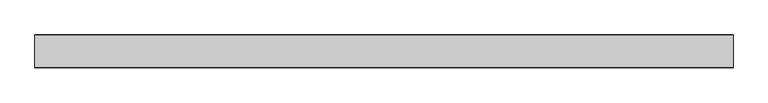
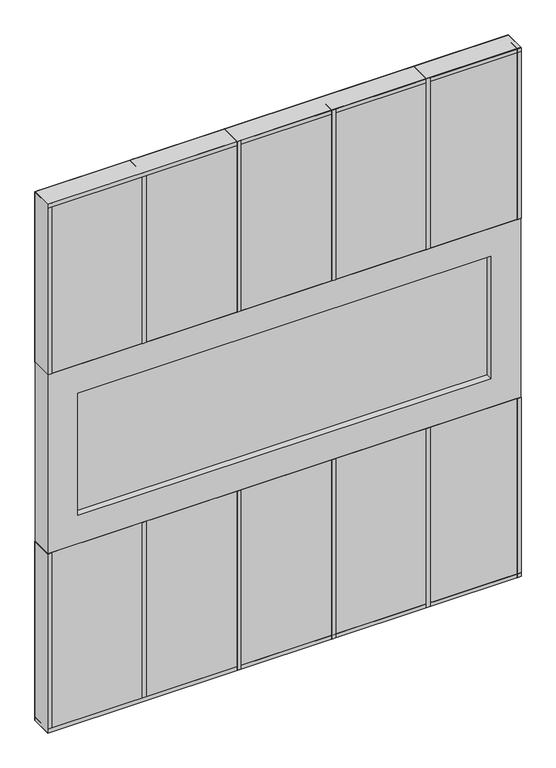
"""IFC4 building model written with IfcOpenShell, lengths in millimetres: plate geometry."""

from ifc_helpers import new_model, si_unit, frame, origin, origin_with_axes, place, context, project, spatial, polyline, outline, extrude, source, transform, mapped, element, save


def plate_e565fd6c(model_context):
    return source(origin(), model_context, "Body", "SweptSolid", [
        extrude(outline(polyline([(762.0, 34.925), (762.0, -34.925), (-762.0, -34.925), (-762.0, 34.925), (762.0, 34.925)])), origin_with_axes(), (0.0, 0.0, 1.0), 609.6),
        extrude(outline(polyline([(-665.226, 12.7), (665.226, 12.7), (665.226, -12.7), (-665.226, -12.7), (-665.226, 12.7)])), frame((0.0, 0.0, 706.374), z_axis=(0.0, 0.0, 1.0), x_axis=(1.0, 0.0, 0.0)), (0.0, 0.0, 1.0), 416.052),
        extrude(outline(polyline([(1219.2, -762.0), (609.6, -762.0), (609.6, 762.0), (1219.2, 762.0), (1219.2, -762.0)]), holes=[polyline([(1122.426, 665.226), (706.374, 665.226), (706.374, -665.226), (1122.426, -665.226), (1122.426, 665.226)])]), frame((0.0, -34.925, 0.0), z_axis=(0.0, 1.0, 0.0), x_axis=(0.0, 0.0, 1.0)), (0.0, 0.0, 1.0), 69.85),
        extrude(outline(polyline([(762.0, 34.925), (762.0, -34.925), (-762.0, -34.925), (-762.0, 34.925), (762.0, 34.925)])), frame((0.0, 0.0, 1219.2), z_axis=(0.0, 0.0, 1.0), x_axis=(1.0, 0.0, 0.0)), (0.0, 0.0, 1.0), 580.6),
        extrude(outline(polyline([(469.9, 35.71875), (469.9, -35.71875), (457.2, -35.71875), (457.2, 35.71875), (469.9, 35.71875)])), origin_with_axes(), (0.0, 0.0, 1.0), 609.6),
        extrude(outline(polyline([(165.1, 35.71875), (165.1, -35.71875), (152.4, -35.71875), (152.4, 35.71875), (165.1, 35.71875)])), origin_with_axes(), (0.0, 0.0, 1.0), 609.6),
        extrude(outline(polyline([(469.9, 35.71875), (469.9, -35.71875), (457.2, -35.71875), (457.2, 35.71875), (469.9, 35.71875)])), frame((0.0, 0.0, 1219.2), z_axis=(0.0, 0.0, 1.0), x_axis=(1.0, 0.0, 0.0)), (0.0, 0.0, 1.0), 580.6),
        extrude(outline(polyline([(165.1, 35.71875), (165.1, -35.71875), (152.4, -35.71875), (152.4, 35.71875), (165.1, 35.71875)])), frame((0.0, 0.0, 1219.2), z_axis=(0.0, 0.0, 1.0), x_axis=(1.0, 0.0, 0.0)), (0.0, 0.0, 1.0), 580.6),
        extrude(outline(polyline([(-139.7, 35.71875), (-139.7, -35.71875), (-152.4, -35.71875), (-152.4, 35.71875), (-139.7, 35.71875)])), origin_with_axes(), (0.0, 0.0, 1.0), 609.6),
        extrude(outline(polyline([(-139.7, 35.71875), (-139.7, -35.71875), (-152.4, -35.71875), (-152.4, 35.71875), (-139.7, 35.71875)])), frame((0.0, 0.0, 1219.2), z_axis=(0.0, 0.0, 1.0), x_axis=(1.0, 0.0, 0.0)), (0.0, 0.0, 1.0), 580.6),
        extrude(outline(polyline([(762.0, 35.71875), (762.0, -35.71875), (-762.0, -35.71875), (-762.0, 35.71875), (762.0, 35.71875)])), origin_with_axes(), (0.0, 0.0, 1.0), 12.7),
        extrude(outline(polyline([(-444.5, 35.71875), (-444.5, -35.71875), (-457.2, -35.71875), (-457.2, 35.71875), (-444.5, 35.71875)])), origin_with_axes(), (0.0, 0.0, 1.0), 609.6),
        extrude(outline(polyline([(749.3, 35.71875), (762.0, 35.71875), (762.0, -35.71875), (749.3, -35.71875), (749.3, 35.71875)])), origin_with_axes(), (0.0, 0.0, 1.0), 609.6),
        extrude(outline(polyline([(-749.3, 35.71875), (-749.3, -35.71875), (-762.0, -35.71875), (-762.0, 35.71875), (-749.3, 35.71875)])), origin_with_axes(), (0.0, 0.0, 1.0), 609.6),
        extrude(outline(polyline([(762.0, 35.71875), (762.0, -35.71875), (-762.0, -35.71875), (-762.0, 35.71875), (762.0, 35.71875)])), frame((0.0, 0.0, 1787.1), z_axis=(0.0, 0.0, 1.0), x_axis=(1.0, 0.0, 0.0)), (0.0, 0.0, 1.0), 12.7),
        extrude(outline(polyline([(-444.5, 35.71875), (-444.5, -35.71875), (-457.2, -35.71875), (-457.2, 35.71875), (-444.5, 35.71875)])), frame((0.0, 0.0, 1219.2), z_axis=(0.0, 0.0, 1.0), x_axis=(1.0, 0.0, 0.0)), (0.0, 0.0, 1.0), 580.6),
        extrude(outline(polyline([(762.0, 35.71875), (762.0, -35.71875), (749.3, -35.71875), (749.3, 35.71875), (762.0, 35.71875)])), frame((0.0, 0.0, 1219.2), z_axis=(0.0, 0.0, 1.0), x_axis=(1.0, 0.0, 0.0)), (0.0, 0.0, 1.0), 580.6),
        extrude(outline(polyline([(-749.3, 35.71875), (-749.3, -35.71875), (-762.0, -35.71875), (-762.0, 35.71875), (-749.3, 35.71875)])), frame((0.0, 0.0, 1219.2), z_axis=(0.0, 0.0, 1.0), x_axis=(1.0, 0.0, 0.0)), (0.0, 0.0, 1.0), 580.6),
    ])


if __name__ == "__main__":
    model = new_model("IFC4")
    model_context = context("Model", 3, world=origin())
    ifc_project = project(units=[si_unit("LENGTHUNIT", "METRE", prefix="MILLI")], contexts=[model_context])
    site = spatial("IfcSite", under=ifc_project)
    building = spatial("IfcBuilding", under=site)
    placement = place(None, origin())
    plate_shape = plate_e565fd6c(model_context)
    element("IfcPlate", 1, at=placement, inside=building, context=model_context, shape_type="MappedRepresentation", body=[
        mapped(plate_shape, transform((0.0, 0.0, 0.0), x_axis=(1.0, 0.0, 0.0), y_axis=(0.0, 1.0, 0.0), z_axis=(0.0, 0.0, 1.0))),
    ])
    save(model, "model.ifc")
